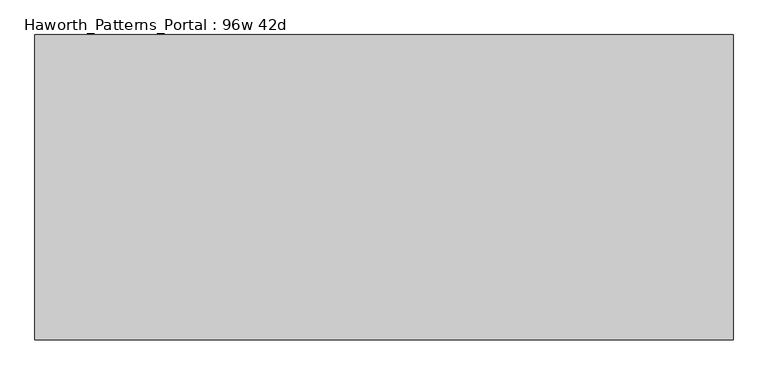
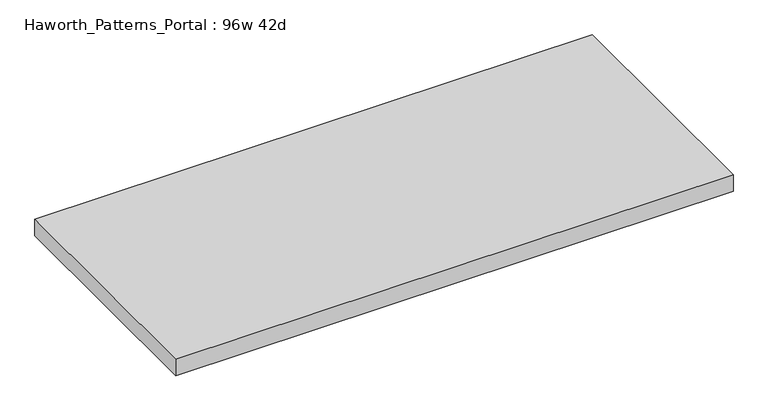
"""IFC4 building model written with IfcOpenShell, lengths in millimetres: furniture geometry, Haworth_Patterns_Portal : 96w 42d."""

from ifc_helpers import new_model, si_unit, frame, origin, place, context, project, spatial, polyline, outline, extrude, source, transform, mapped, element, save


def haworth_patterns_portal_96w_42d_93e68d6e(model_context):
    return source(origin(), model_context, "Body", "SweptSolid", [
        extrude(outline(polyline([(1219.2, 533.4), (1219.2, -533.4), (-1219.2, -533.4), (-1219.2, 533.4), (1219.2, 533.4)])), frame((0.0, 0.0, 2349.5), z_axis=(0.0, 0.0, 1.0), x_axis=(1.0, 0.0, 0.0)), (0.0, 0.0, 1.0), 76.2),
    ])


if __name__ == "__main__":
    model = new_model("IFC4")
    model_context = context("Model", 3, world=origin())
    ifc_project = project(units=[si_unit("LENGTHUNIT", "METRE", prefix="MILLI")], contexts=[model_context])
    site = spatial("IfcSite", under=ifc_project)
    building = spatial("IfcBuilding", under=site)
    placement = place(None, origin())
    haworth_patterns_portal_96w_42d_shape = haworth_patterns_portal_96w_42d_93e68d6e(model_context)
    element("IfcFurniture", 1, ObjectType="Haworth_Patterns_Portal : 96w 42d", at=placement, inside=building, context=model_context, shape_type="MappedRepresentation", body=[
        mapped(haworth_patterns_portal_96w_42d_shape, transform((0.0, 0.0, 0.0), x_axis=(1.0, 0.0, 0.0), y_axis=(0.0, 1.0, 0.0), z_axis=(0.0, 0.0, 1.0))),
    ])
    save(model, "model.ifc")
